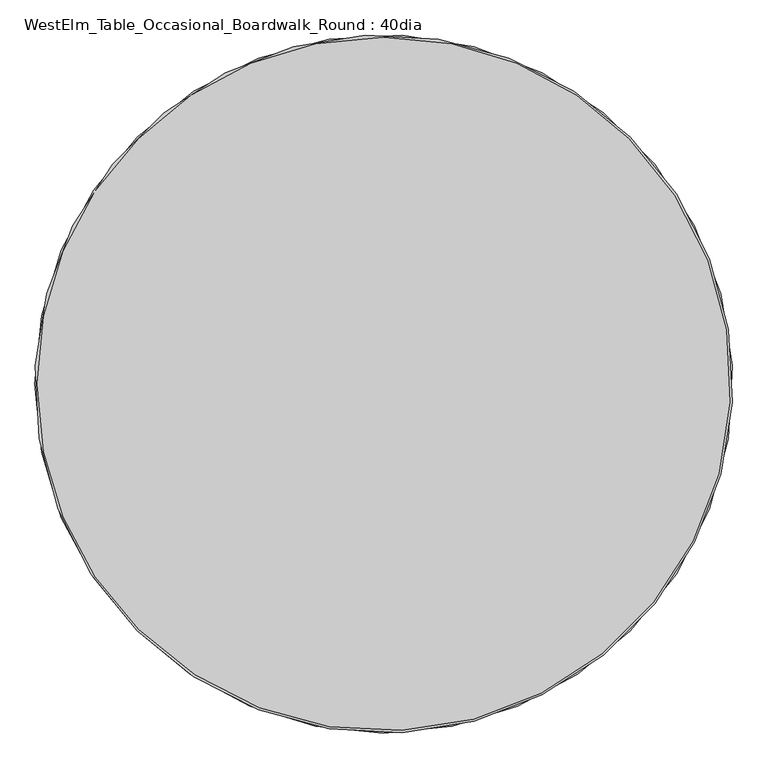
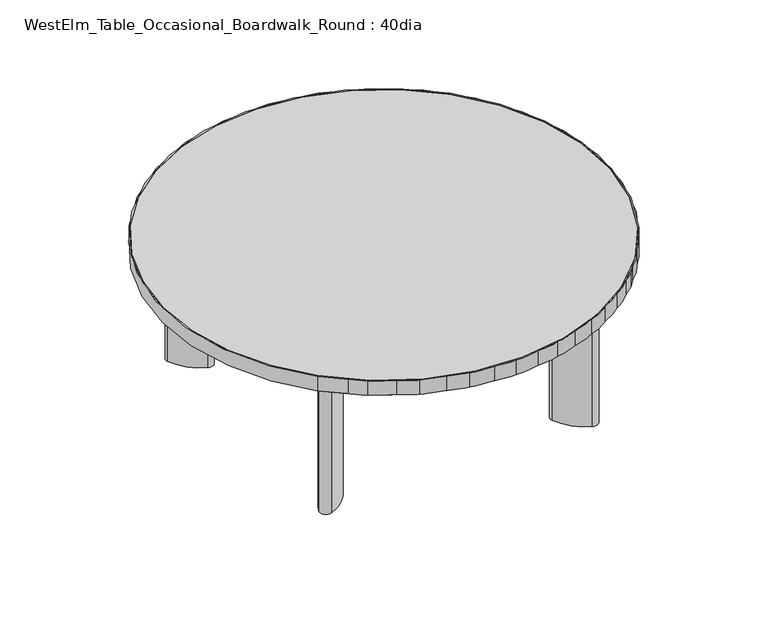
"""IFC4 building model written with IfcOpenShell, lengths in millimetres: furniture geometry, WestElm_Table_Occasional_Boardwalk_Round : 40dia."""

from ifc_helpers import new_model, si_unit, point, frame, frame_2d, origin, origin_with_axes, place, context, project, spatial, polyline, circle_curve, trimmed, segment, composite_curve, outline, extrude, source, transform, mapped, element, save


def westelm_table_occasional_boardwalk_round_40dia_1837112c(model_context):
    return source(origin(), model_context, "Body", "SweptSolid", [
        extrude(outline(composite_curve([segment(trimmed(circle_curve(frame_2d((498.1087535, -453.2194647)), 12.7), [point((507.0890096, -444.2392086))], [point((507.0890096, -462.1997209))], False, "CARTESIAN"), True, "CONTINUOUS"), segment(polyline([(507.0890096, -462.1997209), (453.2075044, -516.0812261)]), True, "CONTINUOUS"), segment(trimmed(circle_curve(frame_2d((444.2272483, -507.1009699)), 12.7), [point((453.2075044, -516.0812261))], [point((435.2469922, -516.0812261))], False, "CARTESIAN"), True, "CONTINUOUS"), segment(polyline([(435.2469922, -516.0812261), (345.44446, -426.278694)]), True, "CONTINUOUS"), segment(trimmed(circle_curve(frame_2d((354.4247162, -417.2984378)), 12.7), [point((345.44446, -426.278694))], [point((345.44446, -408.3181817))], False, "CARTESIAN"), True, "CONTINUOUS"), segment(polyline([(345.44446, -408.3181817), (399.3259653, -354.4366765)]), True, "CONTINUOUS"), segment(trimmed(circle_curve(frame_2d((408.3062214, -363.4169326)), 12.7), [point((399.3259653, -354.4366765))], [point((417.2864775, -354.4366765))], False, "CARTESIAN"), True, "CONTINUOUS"), segment(polyline([(417.2864775, -354.4366765), (507.0890096, -444.2392086)]), True, "CONTINUOUS")], self_intersect=False)), frame((0.0, 0.0, 347.1389893), z_axis=(0.0, 0.0, 1.0), x_axis=(1.0, 0.0, 0.0)), (0.0, 0.0, 1.0), 3.0000167),
        extrude(outline(composite_curve([segment(polyline([(-142.8301548, 205.6799558), (-53.0276226, 115.8774237)]), True, "CONTINUOUS"), segment(trimmed(circle_curve(frame_2d((-62.0078788, 106.8971675)), 12.7), [point((-53.0276226, 115.8774237))], [point((-53.0276226, 97.9169114))], False, "CARTESIAN"), True, "CONTINUOUS"), segment(polyline([(-53.0276226, 97.9169114), (-106.9091279, 44.0354062)]), True, "CONTINUOUS"), segment(trimmed(circle_curve(frame_2d((-115.889384, 53.0156623)), 12.7), [point((-106.9091279, 44.0354062))], [point((-124.8696401, 44.0354062))], False, "CARTESIAN"), True, "CONTINUOUS"), segment(polyline([(-124.8696401, 44.0354062), (-214.6721722, 133.8379383)]), True, "CONTINUOUS"), segment(trimmed(circle_curve(frame_2d((-205.6919161, 142.8181944)), 12.7), [point((-214.6721722, 133.8379383))], [point((-214.6721722, 151.7984505))], False, "CARTESIAN"), True, "CONTINUOUS"), segment(polyline([(-214.6721722, 151.7984505), (-160.790667, 205.6799558)]), True, "CONTINUOUS"), segment(trimmed(circle_curve(frame_2d((-151.8104109, 196.6996996)), 12.7), [point((-160.790667, 205.6799558))], [point((-142.8301548, 205.6799558))], False, "CARTESIAN"), True, "CONTINUOUS")], self_intersect=False)), frame((0.0, 0.0, 347.1389893), z_axis=(0.0, 0.0, 1.0), x_axis=(1.0, 0.0, 0.0)), (0.0, 0.0, 1.0), 3.0000167),
        extrude(outline(composite_curve([segment(trimmed(circle_curve(frame_2d((146.8660917, -162.2080902)), 508.0), [point((506.0763366, 197.0021547))], [point((-212.3441531, -521.418335))], False, "CARTESIAN"), True, "CONTINUOUS"), segment(trimmed(circle_curve(frame_2d((146.8660917, -162.2080902)), 508.0), [point((-212.3441531, -521.418335))], [point((506.0763366, 197.0021547))], False, "CARTESIAN"), True, "CONTINUOUS")], self_intersect=False), holes=[composite_curve([segment(trimmed(circle_curve(frame_2d((146.8660917, -162.2080902)), 504.952), [point((503.9210751, 194.8468932))], [point((-210.1888916, -519.2630736))], True, "CARTESIAN"), True, "CONTINUOUS"), segment(trimmed(circle_curve(frame_2d((146.8660917, -162.2080902)), 504.952), [point((-210.1888916, -519.2630736))], [point((503.9210751, 194.8468932))], True, "CARTESIAN"), True, "CONTINUOUS")], self_intersect=False)]), frame((0.0, 0.0, 350.1390061), z_axis=(0.0, 0.0, 1.0), x_axis=(1.0, 0.0, 0.0)), (0.0, 0.0, 1.0), 34.9249939),
        extrude(outline(composite_curve([segment(trimmed(circle_curve(frame_2d((-132.405686, -434.2449469)), 11.43), [point((-124.3234555, -426.1627163))], [point((-140.4879166, -442.3271774))], False, "CARTESIAN"), True, "CONTINUOUS"), segment(trimmed(circle_curve(frame_2d((-132.405686, -434.2449469)), 11.43), [point((-140.4879166, -442.3271774))], [point((-124.3234555, -426.1627163))], False, "CARTESIAN"), True, "CONTINUOUS")], self_intersect=False)), origin_with_axes(), (0.0, 0.0, 1.0), 3.9975031),
        extrude(outline(composite_curve([segment(trimmed(circle_curve(frame_2d((426.3103506, -434.0223358)), 11.43), [point((434.3925811, -425.9401053))], [point((418.22812, -442.1045663))], False, "CARTESIAN"), True, "CONTINUOUS"), segment(trimmed(circle_curve(frame_2d((426.3103506, -434.0223358)), 11.43), [point((418.22812, -442.1045663))], [point((434.3925811, -425.9401053))], False, "CARTESIAN"), True, "CONTINUOUS")], self_intersect=False)), origin_with_axes(), (0.0, 0.0, 1.0), 3.9975031),
        extrude(outline(composite_curve([segment(trimmed(circle_curve(frame_2d((-132.5992494, 124.9924568)), 11.43), [point((-124.5170189, 133.0746873))], [point((-140.6814799, 116.9102263))], False, "CARTESIAN"), True, "CONTINUOUS"), segment(trimmed(circle_curve(frame_2d((-132.5992494, 124.9924568)), 11.43), [point((-140.6814799, 116.9102263))], [point((-124.5170189, 133.0746873))], False, "CARTESIAN"), True, "CONTINUOUS")], self_intersect=False)), origin_with_axes(), (0.0, 0.0, 1.0), 3.9975031),
        extrude(outline(composite_curve([segment(trimmed(circle_curve(frame_2d((426.2709533, 125.1818014)), 11.43), [point((434.3531838, 133.2640319))], [point((418.1887228, 117.0995709))], False, "CARTESIAN"), True, "CONTINUOUS"), segment(trimmed(circle_curve(frame_2d((426.2709533, 125.1818014)), 11.43), [point((418.1887228, 117.0995709))], [point((434.3531838, 133.2640319))], False, "CARTESIAN"), True, "CONTINUOUS")], self_intersect=False)), origin_with_axes(), (0.0, 0.0, 1.0), 3.9975031),
        extrude(outline(composite_curve([segment(polyline([(-211.7693262, -442.6517086), (-121.966794, -352.8491765)]), True, "CONTINUOUS"), segment(trimmed(circle_curve(frame_2d((-112.9865379, -361.8294326)), 12.7), [point((-121.966794, -352.8491765))], [point((-104.0062818, -352.8491765))], False, "CARTESIAN"), True, "CONTINUOUS"), segment(polyline([(-104.0062818, -352.8491765), (-50.1247766, -406.7306817)]), True, "CONTINUOUS"), segment(trimmed(circle_curve(frame_2d((-59.1050327, -415.7109378)), 12.7), [point((-50.1247766, -406.7306817))], [point((-50.1247766, -424.691194))], False, "CARTESIAN"), True, "CONTINUOUS"), segment(polyline([(-50.1247766, -424.691194), (-139.9273087, -514.4937261)]), True, "CONTINUOUS"), segment(trimmed(circle_curve(frame_2d((-148.9075648, -505.5134699)), 12.7), [point((-139.9273087, -514.4937261))], [point((-157.8878209, -514.4937261))], False, "CARTESIAN"), True, "CONTINUOUS"), segment(polyline([(-157.8878209, -514.4937261), (-211.7693262, -460.6122209)]), True, "CONTINUOUS"), segment(trimmed(circle_curve(frame_2d((-202.78907, -451.6319647)), 12.7), [point((-211.7693262, -460.6122209))], [point((-211.7693262, -442.6517086))], False, "CARTESIAN"), True, "CONTINUOUS")], self_intersect=False)), frame((0.0, 0.0, 347.1389893), z_axis=(0.0, 0.0, 1.0), x_axis=(1.0, 0.0, 0.0)), (0.0, 0.0, 1.0), 3.0000167),
        extrude(outline(composite_curve([segment(trimmed(circle_curve(frame_2d((443.6827224, 198.0148277)), 12.7), [point((434.7024663, 206.9950838))], [point((452.6629785, 206.9950838))], False, "CARTESIAN"), True, "CONTINUOUS"), segment(polyline([(452.6629785, 206.9950838), (506.5444837, 153.1135786)]), True, "CONTINUOUS"), segment(trimmed(circle_curve(frame_2d((497.5642276, 144.1333225)), 12.7), [point((506.5444837, 153.1135786))], [point((506.5444837, 135.1530664))], False, "CARTESIAN"), True, "CONTINUOUS"), segment(polyline([(506.5444837, 135.1530664), (416.7419516, 45.3505343)]), True, "CONTINUOUS"), segment(trimmed(circle_curve(frame_2d((407.7616955, 54.3307904)), 12.7), [point((416.7419516, 45.3505343))], [point((398.7814394, 45.3505343))], False, "CARTESIAN"), True, "CONTINUOUS"), segment(polyline([(398.7814394, 45.3505343), (344.8999342, 99.2320395)]), True, "CONTINUOUS"), segment(trimmed(circle_curve(frame_2d((353.8801903, 108.2122956)), 12.7), [point((344.8999342, 99.2320395))], [point((344.8999342, 117.1925517))], False, "CARTESIAN"), True, "CONTINUOUS"), segment(polyline([(344.8999342, 117.1925517), (434.7024663, 206.9950838)]), True, "CONTINUOUS")], self_intersect=False)), frame((0.0, 0.0, 347.1389893), z_axis=(0.0, 0.0, 1.0), x_axis=(1.0, 0.0, 0.0)), (0.0, 0.0, 1.0), 3.0000167),
        extrude(outline(composite_curve([segment(trimmed(circle_curve(frame_2d((146.8660917, -162.2080902)), 508.0), [point((-212.3441531, 197.0021547))], [point((506.0763366, -521.418335))], False, "CARTESIAN"), True, "CONTINUOUS"), segment(trimmed(circle_curve(frame_2d((146.8660917, -162.2080902)), 508.0), [point((506.0763366, -521.418335))], [point((-212.3441531, 197.0021547))], False, "CARTESIAN"), True, "CONTINUOUS")], self_intersect=False)), frame((0.0, 0.0, 350.1390061), z_axis=(0.0, 0.0, 1.0), x_axis=(1.0, 0.0, 0.0)), (0.0, 0.0, 1.0), 34.9249939),
        extrude(outline(composite_curve([segment(trimmed(circle_curve(frame_2d((-190.1240557, 68.2201559)), 102.3637201), [point((-153.4187449, 163.7766908))], [point((-94.477778, 104.6909765))], False, "CARTESIAN"), True, "CONTINUOUS"), segment(trimmed(circle_curve(frame_2d((-108.1457263, 99.4792599)), 14.6278775), [point((-94.477778, 104.6909765))], [point((-113.7062349, 85.9494578))], False, "CARTESIAN"), True, "CONTINUOUS"), segment(trimmed(circle_curve(frame_2d((-72.7567256, 185.5876026)), 107.7247521), [point((-113.7062349, 85.9494578))], [point((-172.2998712, 144.4076999))], False, "CARTESIAN"), True, "CONTINUOUS"), segment(trimmed(circle_curve(frame_2d((-158.6972382, 150.0349593)), 14.7206547), [point((-172.2998712, 144.4076999))], [point((-153.4187449, 163.7766908))], False, "CARTESIAN"), True, "CONTINUOUS")], self_intersect=False)), frame((0.0, 0.0, 3.9975031), z_axis=(0.0, 0.0, 1.0), x_axis=(1.0, 0.0, 0.0)), (0.0, 0.0, 1.0), 343.1414862),
        extrude(outline(composite_curve([segment(trimmed(circle_curve(frame_2d((451.4035797, -460.1208756)), 14.7206547), [point((465.1453112, -454.8423824))], [point((445.7763203, -473.7235086))], False, "CARTESIAN"), True, "CONTINUOUS"), segment(trimmed(circle_curve(frame_2d((486.956223, -374.1803631)), 107.7247521), [point((445.7763203, -473.7235086))], [point((387.3180782, -415.1298723))], False, "CARTESIAN"), True, "CONTINUOUS"), segment(trimmed(circle_curve(frame_2d((400.8478803, -409.5693638)), 14.6278775), [point((387.3180782, -415.1298723))], [point((406.0595969, -395.9014154))], False, "CARTESIAN"), True, "CONTINUOUS"), segment(trimmed(circle_curve(frame_2d((369.5887763, -491.5476931)), 102.3637201), [point((406.0595969, -395.9014154))], [point((465.1453112, -454.8423824))], False, "CARTESIAN"), True, "CONTINUOUS")], self_intersect=False)), frame((0.0, 0.0, 3.9975031), z_axis=(0.0, 0.0, 1.0), x_axis=(1.0, 0.0, 0.0)), (0.0, 0.0, 1.0), 343.1414862),
        extrude(outline(composite_curve([segment(trimmed(circle_curve(frame_2d((450.9619782, 148.1461863)), 14.7206547), [point((445.683485, 161.8879177))], [point((464.5646112, 142.5189268))], False, "CARTESIAN"), True, "CONTINUOUS"), segment(trimmed(circle_curve(frame_2d((365.0214657, 183.6988296)), 107.7247521), [point((464.5646112, 142.5189268))], [point((405.9709749, 84.0606847))], False, "CARTESIAN"), True, "CONTINUOUS"), segment(trimmed(circle_curve(frame_2d((400.4104664, 97.5904869)), 14.6278775), [point((405.9709749, 84.0606847))], [point((386.742518, 102.8022035))], False, "CARTESIAN"), True, "CONTINUOUS"), segment(trimmed(circle_curve(frame_2d((482.3887957, 66.3313829)), 102.3637201), [point((386.742518, 102.8022035))], [point((445.683485, 161.8879177))], False, "CARTESIAN"), True, "CONTINUOUS")], self_intersect=False)), frame((0.0, 0.0, 3.9975031), z_axis=(0.0, 0.0, 1.0), x_axis=(1.0, 0.0, 0.0)), (0.0, 0.0, 1.0), 343.1414862),
        extrude(outline(composite_curve([segment(trimmed(circle_curve(frame_2d((-76.3676166, -490.9880004)), 102.3637201), [point((-171.9241515, -454.2826896))], [point((-112.8384372, -395.3417227))], False, "CARTESIAN"), True, "CONTINUOUS"), segment(trimmed(circle_curve(frame_2d((-107.6267206, -409.0096711)), 14.6278775), [point((-112.8384372, -395.3417227))], [point((-94.0969185, -414.5701796))], False, "CARTESIAN"), True, "CONTINUOUS"), segment(trimmed(circle_curve(frame_2d((-193.7350633, -373.6206704)), 107.7247521), [point((-94.0969185, -414.5701796))], [point((-152.5551606, -473.1638159))], False, "CARTESIAN"), True, "CONTINUOUS"), segment(trimmed(circle_curve(frame_2d((-158.18242, -459.5611829)), 14.7206547), [point((-152.5551606, -473.1638159))], [point((-171.9241515, -454.2826896))], False, "CARTESIAN"), True, "CONTINUOUS")], self_intersect=False)), frame((0.0, 0.0, 3.9975031), z_axis=(0.0, 0.0, 1.0), x_axis=(1.0, 0.0, 0.0)), (0.0, 0.0, 1.0), 343.1414862),
    ])


if __name__ == "__main__":
    model = new_model("IFC4")
    model_context = context("Model", 3, world=origin())
    ifc_project = project(units=[si_unit("LENGTHUNIT", "METRE", prefix="MILLI")], contexts=[model_context])
    site = spatial("IfcSite", under=ifc_project)
    building = spatial("IfcBuilding", under=site)
    placement = place(None, origin())
    westelm_table_occasional_boardwalk_round_40dia_shape = westelm_table_occasional_boardwalk_round_40dia_1837112c(model_context)
    element("IfcFurniture", 1, ObjectType="WestElm_Table_Occasional_Boardwalk_Round : 40dia", at=placement, inside=building, context=model_context, shape_type="MappedRepresentation", body=[
        mapped(westelm_table_occasional_boardwalk_round_40dia_shape, transform((0.0, 0.0, 0.0), x_axis=(1.0, 0.0, 0.0), y_axis=(0.0, 1.0, 0.0), z_axis=(0.0, 0.0, 1.0))),
    ])
    save(model, "model.ifc")
